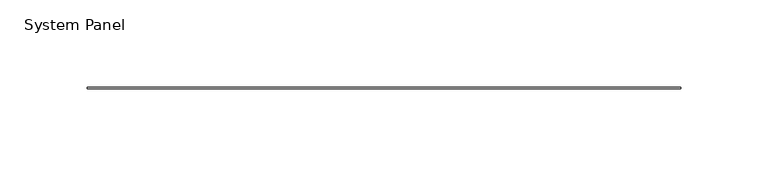
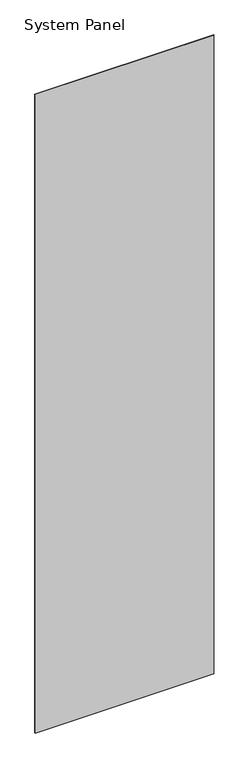
"""IFC4 building model written with IfcOpenShell, lengths in millimetres: plate geometry, System Panel."""

from ifc_helpers import new_model, si_unit, origin, origin_with_axes, place, context, project, spatial, polyline, outline, extrude, source, transform, mapped, element, save


def system_panel_701ae2fe(model_context):
    return source(origin(), model_context, "Body", "SweptSolid", [
        extrude(outline(polyline([(170.1165, -0.4960938), (-170.1165, -0.4960938), (-170.1165, 0.4960937), (170.1165, 0.4960937), (170.1165, -0.4960938)])), origin_with_axes(), (0.0, 0.0, 1.0), 1285.875),
    ])


if __name__ == "__main__":
    model = new_model("IFC4")
    model_context = context("Model", 3, world=origin())
    ifc_project = project(units=[si_unit("LENGTHUNIT", "METRE", prefix="MILLI")], contexts=[model_context])
    site = spatial("IfcSite", under=ifc_project)
    building = spatial("IfcBuilding", under=site)
    placement = place(None, origin())
    system_panel_shape = system_panel_701ae2fe(model_context)
    element("IfcPlate", 1, ObjectType="System Panel", at=placement, inside=building, context=model_context, shape_type="MappedRepresentation", body=[
        mapped(system_panel_shape, transform((0.0, 0.0, 0.0), x_axis=(1.0, 0.0, 0.0), y_axis=(0.0, 1.0, 0.0), z_axis=(0.0, 0.0, 1.0))),
    ])
    save(model, "model.ifc")
